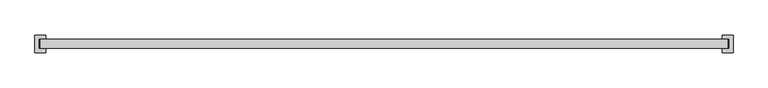
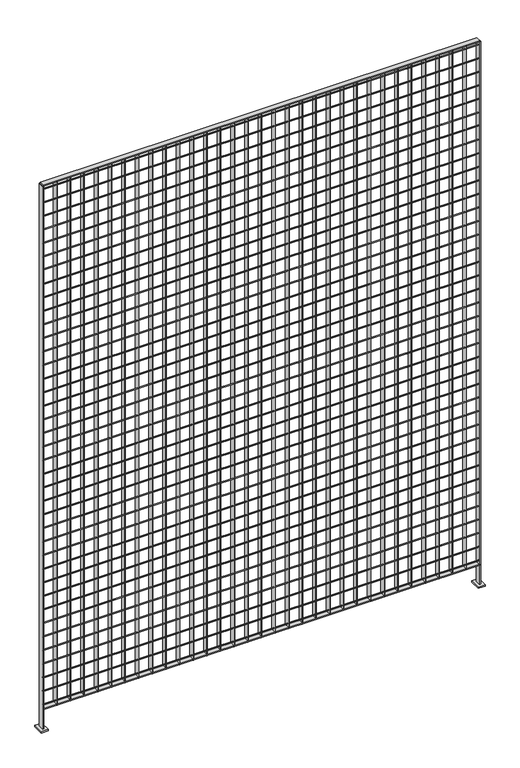
"""IFC4 building model written with IfcOpenShell, lengths in millimetres: railing geometry."""

from ifc_helpers import new_model, si_unit, point, frame, frame_2d, origin, place, context, project, spatial, polyline, circle_curve, trimmed, segment, composite_curve, outline, extrude, source, transform, mapped, element, save


def railing_2a38fe2f(model_context):
    return source(origin(), model_context, "Body", "SweptSolid", [
        extrude(outline(polyline([(-8780.0234548, -1094.0014627), (-8780.0234548, -1068.6014627), (-6798.8234548, -1068.6014627), (-6798.8234548, -1094.0014627), (-8780.0234548, -1094.0014627)])), frame((0.0, 0.0, 7718.510725), z_axis=(0.0, 0.0, 1.0), x_axis=(1.0, 0.0, 0.0)), (0.0, 0.0, 1.0), 3.7973),
        extrude(outline(composite_curve([segment(trimmed(circle_curve(frame_2d((-1087.6514627, 7739.0625)), 2.0574), [point((-1085.5940627, 7739.0625))], [point((-1089.7088627, 7739.0625))], False, "CARTESIAN"), True, "CONTINUOUS"), segment(trimmed(circle_curve(frame_2d((-1087.6514627, 7739.0625)), 2.0574), [point((-1089.7088627, 7739.0625))], [point((-1085.5940627, 7739.0625))], False, "CARTESIAN"), True, "CONTINUOUS")], self_intersect=False)), frame((-8780.0234548, 0.0, 0.0), z_axis=(1.0, 0.0, 0.0), x_axis=(0.0, 1.0, 0.0)), (0.0, 0.0, 1.0), 1981.2),
        extrude(outline(composite_curve([segment(trimmed(circle_curve(frame_2d((-1087.6514627, 7804.15)), 2.0574), [point((-1085.5940627, 7804.15))], [point((-1089.7088627, 7804.15))], False, "CARTESIAN"), True, "CONTINUOUS"), segment(trimmed(circle_curve(frame_2d((-1087.6514627, 7804.15)), 2.0574), [point((-1089.7088627, 7804.15))], [point((-1085.5940627, 7804.15))], False, "CARTESIAN"), True, "CONTINUOUS")], self_intersect=False)), frame((-8780.0234548, 0.0, 0.0), z_axis=(1.0, 0.0, 0.0), x_axis=(0.0, 1.0, 0.0)), (0.0, 0.0, 1.0), 1981.2),
        extrude(outline(composite_curve([segment(trimmed(circle_curve(frame_2d((-1087.6514627, 7869.2375)), 2.0574), [point((-1085.5940627, 7869.2375))], [point((-1089.7088627, 7869.2375))], False, "CARTESIAN"), True, "CONTINUOUS"), segment(trimmed(circle_curve(frame_2d((-1087.6514627, 7869.2375)), 2.0574), [point((-1089.7088627, 7869.2375))], [point((-1085.5940627, 7869.2375))], False, "CARTESIAN"), True, "CONTINUOUS")], self_intersect=False)), frame((-8780.0234548, 0.0, 0.0), z_axis=(1.0, 0.0, 0.0), x_axis=(0.0, 1.0, 0.0)), (0.0, 0.0, 1.0), 1981.2),
        extrude(outline(composite_curve([segment(trimmed(circle_curve(frame_2d((-1087.6514627, 7934.325)), 2.0574), [point((-1085.5940627, 7934.325))], [point((-1089.7088627, 7934.325))], False, "CARTESIAN"), True, "CONTINUOUS"), segment(trimmed(circle_curve(frame_2d((-1087.6514627, 7934.325)), 2.0574), [point((-1089.7088627, 7934.325))], [point((-1085.5940627, 7934.325))], False, "CARTESIAN"), True, "CONTINUOUS")], self_intersect=False)), frame((-8780.0234548, 0.0, 0.0), z_axis=(1.0, 0.0, 0.0), x_axis=(0.0, 1.0, 0.0)), (0.0, 0.0, 1.0), 1981.2),
        extrude(outline(composite_curve([segment(trimmed(circle_curve(frame_2d((-1087.6514627, 7999.4125)), 2.0574), [point((-1085.5940627, 7999.4125))], [point((-1089.7088627, 7999.4125))], False, "CARTESIAN"), True, "CONTINUOUS"), segment(trimmed(circle_curve(frame_2d((-1087.6514627, 7999.4125)), 2.0574), [point((-1089.7088627, 7999.4125))], [point((-1085.5940627, 7999.4125))], False, "CARTESIAN"), True, "CONTINUOUS")], self_intersect=False)), frame((-8780.0234548, 0.0, 0.0), z_axis=(1.0, 0.0, 0.0), x_axis=(0.0, 1.0, 0.0)), (0.0, 0.0, 1.0), 1981.2),
        extrude(outline(composite_curve([segment(trimmed(circle_curve(frame_2d((-1087.6514627, 8064.5)), 2.0574), [point((-1085.5940627, 8064.5))], [point((-1089.7088627, 8064.5))], False, "CARTESIAN"), True, "CONTINUOUS"), segment(trimmed(circle_curve(frame_2d((-1087.6514627, 8064.5)), 2.0574), [point((-1089.7088627, 8064.5))], [point((-1085.5940627, 8064.5))], False, "CARTESIAN"), True, "CONTINUOUS")], self_intersect=False)), frame((-8780.0234548, 0.0, 0.0), z_axis=(1.0, 0.0, 0.0), x_axis=(0.0, 1.0, 0.0)), (0.0, 0.0, 1.0), 1981.2),
        extrude(outline(composite_curve([segment(trimmed(circle_curve(frame_2d((-1087.6514627, 8129.5875)), 2.0574), [point((-1085.5940627, 8129.5875))], [point((-1089.7088627, 8129.5875))], False, "CARTESIAN"), True, "CONTINUOUS"), segment(trimmed(circle_curve(frame_2d((-1087.6514627, 8129.5875)), 2.0574), [point((-1089.7088627, 8129.5875))], [point((-1085.5940627, 8129.5875))], False, "CARTESIAN"), True, "CONTINUOUS")], self_intersect=False)), frame((-8780.0234548, 0.0, 0.0), z_axis=(1.0, 0.0, 0.0), x_axis=(0.0, 1.0, 0.0)), (0.0, 0.0, 1.0), 1981.2),
        extrude(outline(composite_curve([segment(trimmed(circle_curve(frame_2d((-1087.6514627, 8194.675)), 2.0574), [point((-1085.5940627, 8194.675))], [point((-1089.7088627, 8194.675))], False, "CARTESIAN"), True, "CONTINUOUS"), segment(trimmed(circle_curve(frame_2d((-1087.6514627, 8194.675)), 2.0574), [point((-1089.7088627, 8194.675))], [point((-1085.5940627, 8194.675))], False, "CARTESIAN"), True, "CONTINUOUS")], self_intersect=False)), frame((-8780.0234548, 0.0, 0.0), z_axis=(1.0, 0.0, 0.0), x_axis=(0.0, 1.0, 0.0)), (0.0, 0.0, 1.0), 1981.2),
        extrude(outline(composite_curve([segment(trimmed(circle_curve(frame_2d((-1087.6514627, 8259.7625)), 2.0574), [point((-1085.5940627, 8259.7625))], [point((-1089.7088627, 8259.7625))], False, "CARTESIAN"), True, "CONTINUOUS"), segment(trimmed(circle_curve(frame_2d((-1087.6514627, 8259.7625)), 2.0574), [point((-1089.7088627, 8259.7625))], [point((-1085.5940627, 8259.7625))], False, "CARTESIAN"), True, "CONTINUOUS")], self_intersect=False)), frame((-8780.0234548, 0.0, 0.0), z_axis=(1.0, 0.0, 0.0), x_axis=(0.0, 1.0, 0.0)), (0.0, 0.0, 1.0), 1981.2),
        extrude(outline(composite_curve([segment(trimmed(circle_curve(frame_2d((-1087.6514627, 8324.85)), 2.0574), [point((-1085.5940627, 8324.85))], [point((-1089.7088627, 8324.85))], False, "CARTESIAN"), True, "CONTINUOUS"), segment(trimmed(circle_curve(frame_2d((-1087.6514627, 8324.85)), 2.0574), [point((-1089.7088627, 8324.85))], [point((-1085.5940627, 8324.85))], False, "CARTESIAN"), True, "CONTINUOUS")], self_intersect=False)), frame((-8780.0234548, 0.0, 0.0), z_axis=(1.0, 0.0, 0.0), x_axis=(0.0, 1.0, 0.0)), (0.0, 0.0, 1.0), 1981.2),
        extrude(outline(composite_curve([segment(trimmed(circle_curve(frame_2d((-1087.6514627, 8389.9375)), 2.0574), [point((-1085.5940627, 8389.9375))], [point((-1089.7088627, 8389.9375))], False, "CARTESIAN"), True, "CONTINUOUS"), segment(trimmed(circle_curve(frame_2d((-1087.6514627, 8389.9375)), 2.0574), [point((-1089.7088627, 8389.9375))], [point((-1085.5940627, 8389.9375))], False, "CARTESIAN"), True, "CONTINUOUS")], self_intersect=False)), frame((-8780.0234548, 0.0, 0.0), z_axis=(1.0, 0.0, 0.0), x_axis=(0.0, 1.0, 0.0)), (0.0, 0.0, 1.0), 1981.2),
        extrude(outline(composite_curve([segment(trimmed(circle_curve(frame_2d((-1087.6514627, 8455.025)), 2.0574), [point((-1085.5940627, 8455.025))], [point((-1089.7088627, 8455.025))], False, "CARTESIAN"), True, "CONTINUOUS"), segment(trimmed(circle_curve(frame_2d((-1087.6514627, 8455.025)), 2.0574), [point((-1089.7088627, 8455.025))], [point((-1085.5940627, 8455.025))], False, "CARTESIAN"), True, "CONTINUOUS")], self_intersect=False)), frame((-8780.0234548, 0.0, 0.0), z_axis=(1.0, 0.0, 0.0), x_axis=(0.0, 1.0, 0.0)), (0.0, 0.0, 1.0), 1981.2),
        extrude(outline(composite_curve([segment(trimmed(circle_curve(frame_2d((-1087.6514627, 8520.1125)), 2.0574), [point((-1085.5940627, 8520.1125))], [point((-1089.7088627, 8520.1125))], False, "CARTESIAN"), True, "CONTINUOUS"), segment(trimmed(circle_curve(frame_2d((-1087.6514627, 8520.1125)), 2.0574), [point((-1089.7088627, 8520.1125))], [point((-1085.5940627, 8520.1125))], False, "CARTESIAN"), True, "CONTINUOUS")], self_intersect=False)), frame((-8780.0234548, 0.0, 0.0), z_axis=(1.0, 0.0, 0.0), x_axis=(0.0, 1.0, 0.0)), (0.0, 0.0, 1.0), 1981.2),
        extrude(outline(composite_curve([segment(trimmed(circle_curve(frame_2d((-1087.6514627, 8585.2)), 2.0574), [point((-1085.5940627, 8585.2))], [point((-1089.7088627, 8585.2))], False, "CARTESIAN"), True, "CONTINUOUS"), segment(trimmed(circle_curve(frame_2d((-1087.6514627, 8585.2)), 2.0574), [point((-1089.7088627, 8585.2))], [point((-1085.5940627, 8585.2))], False, "CARTESIAN"), True, "CONTINUOUS")], self_intersect=False)), frame((-8780.0234548, 0.0, 0.0), z_axis=(1.0, 0.0, 0.0), x_axis=(0.0, 1.0, 0.0)), (0.0, 0.0, 1.0), 1981.2),
        extrude(outline(composite_curve([segment(trimmed(circle_curve(frame_2d((-1087.6514627, 8650.2875)), 2.0574), [point((-1085.5940627, 8650.2875))], [point((-1089.7088627, 8650.2875))], False, "CARTESIAN"), True, "CONTINUOUS"), segment(trimmed(circle_curve(frame_2d((-1087.6514627, 8650.2875)), 2.0574), [point((-1089.7088627, 8650.2875))], [point((-1085.5940627, 8650.2875))], False, "CARTESIAN"), True, "CONTINUOUS")], self_intersect=False)), frame((-8780.0234548, 0.0, 0.0), z_axis=(1.0, 0.0, 0.0), x_axis=(0.0, 1.0, 0.0)), (0.0, 0.0, 1.0), 1981.2),
        extrude(outline(composite_curve([segment(trimmed(circle_curve(frame_2d((-1087.6514627, 8715.375)), 2.0574), [point((-1085.5940627, 8715.375))], [point((-1089.7088627, 8715.375))], False, "CARTESIAN"), True, "CONTINUOUS"), segment(trimmed(circle_curve(frame_2d((-1087.6514627, 8715.375)), 2.0574), [point((-1089.7088627, 8715.375))], [point((-1085.5940627, 8715.375))], False, "CARTESIAN"), True, "CONTINUOUS")], self_intersect=False)), frame((-8780.0234548, 0.0, 0.0), z_axis=(1.0, 0.0, 0.0), x_axis=(0.0, 1.0, 0.0)), (0.0, 0.0, 1.0), 1981.2),
        extrude(outline(composite_curve([segment(trimmed(circle_curve(frame_2d((-1087.6514627, 8780.4625)), 2.0574), [point((-1085.5940627, 8780.4625))], [point((-1089.7088627, 8780.4625))], False, "CARTESIAN"), True, "CONTINUOUS"), segment(trimmed(circle_curve(frame_2d((-1087.6514627, 8780.4625)), 2.0574), [point((-1089.7088627, 8780.4625))], [point((-1085.5940627, 8780.4625))], False, "CARTESIAN"), True, "CONTINUOUS")], self_intersect=False)), frame((-8780.0234548, 0.0, 0.0), z_axis=(1.0, 0.0, 0.0), x_axis=(0.0, 1.0, 0.0)), (0.0, 0.0, 1.0), 1981.2),
        extrude(outline(composite_curve([segment(trimmed(circle_curve(frame_2d((-1087.6514627, 8845.55)), 2.0574), [point((-1085.5940627, 8845.55))], [point((-1089.7088627, 8845.55))], False, "CARTESIAN"), True, "CONTINUOUS"), segment(trimmed(circle_curve(frame_2d((-1087.6514627, 8845.55)), 2.0574), [point((-1089.7088627, 8845.55))], [point((-1085.5940627, 8845.55))], False, "CARTESIAN"), True, "CONTINUOUS")], self_intersect=False)), frame((-8780.0234548, 0.0, 0.0), z_axis=(1.0, 0.0, 0.0), x_axis=(0.0, 1.0, 0.0)), (0.0, 0.0, 1.0), 1981.2),
        extrude(outline(composite_curve([segment(trimmed(circle_curve(frame_2d((-1087.6514627, 8910.6375)), 2.0574), [point((-1085.5940627, 8910.6375))], [point((-1089.7088627, 8910.6375))], False, "CARTESIAN"), True, "CONTINUOUS"), segment(trimmed(circle_curve(frame_2d((-1087.6514627, 8910.6375)), 2.0574), [point((-1089.7088627, 8910.6375))], [point((-1085.5940627, 8910.6375))], False, "CARTESIAN"), True, "CONTINUOUS")], self_intersect=False)), frame((-8780.0234548, 0.0, 0.0), z_axis=(1.0, 0.0, 0.0), x_axis=(0.0, 1.0, 0.0)), (0.0, 0.0, 1.0), 1981.2),
        extrude(outline(composite_curve([segment(trimmed(circle_curve(frame_2d((-1087.6514627, 8975.725)), 2.0574), [point((-1085.5940627, 8975.725))], [point((-1089.7088627, 8975.725))], False, "CARTESIAN"), True, "CONTINUOUS"), segment(trimmed(circle_curve(frame_2d((-1087.6514627, 8975.725)), 2.0574), [point((-1089.7088627, 8975.725))], [point((-1085.5940627, 8975.725))], False, "CARTESIAN"), True, "CONTINUOUS")], self_intersect=False)), frame((-8780.0234548, 0.0, 0.0), z_axis=(1.0, 0.0, 0.0), x_axis=(0.0, 1.0, 0.0)), (0.0, 0.0, 1.0), 1981.2),
        extrude(outline(composite_curve([segment(trimmed(circle_curve(frame_2d((-1087.6514627, 9040.8125)), 2.0574), [point((-1085.5940627, 9040.8125))], [point((-1089.7088627, 9040.8125))], False, "CARTESIAN"), True, "CONTINUOUS"), segment(trimmed(circle_curve(frame_2d((-1087.6514627, 9040.8125)), 2.0574), [point((-1089.7088627, 9040.8125))], [point((-1085.5940627, 9040.8125))], False, "CARTESIAN"), True, "CONTINUOUS")], self_intersect=False)), frame((-8780.0234548, 0.0, 0.0), z_axis=(1.0, 0.0, 0.0), x_axis=(0.0, 1.0, 0.0)), (0.0, 0.0, 1.0), 1981.2),
        extrude(outline(composite_curve([segment(trimmed(circle_curve(frame_2d((-1087.6514627, 9105.9)), 2.0574), [point((-1085.5940627, 9105.9))], [point((-1089.7088627, 9105.9))], False, "CARTESIAN"), True, "CONTINUOUS"), segment(trimmed(circle_curve(frame_2d((-1087.6514627, 9105.9)), 2.0574), [point((-1089.7088627, 9105.9))], [point((-1085.5940627, 9105.9))], False, "CARTESIAN"), True, "CONTINUOUS")], self_intersect=False)), frame((-8780.0234548, 0.0, 0.0), z_axis=(1.0, 0.0, 0.0), x_axis=(0.0, 1.0, 0.0)), (0.0, 0.0, 1.0), 1981.2),
        extrude(outline(composite_curve([segment(trimmed(circle_curve(frame_2d((-1087.6514627, 9170.9875)), 2.0574), [point((-1085.5940627, 9170.9875))], [point((-1089.7088627, 9170.9875))], False, "CARTESIAN"), True, "CONTINUOUS"), segment(trimmed(circle_curve(frame_2d((-1087.6514627, 9170.9875)), 2.0574), [point((-1089.7088627, 9170.9875))], [point((-1085.5940627, 9170.9875))], False, "CARTESIAN"), True, "CONTINUOUS")], self_intersect=False)), frame((-8780.0234548, 0.0, 0.0), z_axis=(1.0, 0.0, 0.0), x_axis=(0.0, 1.0, 0.0)), (0.0, 0.0, 1.0), 1981.2),
        extrude(outline(composite_curve([segment(trimmed(circle_curve(frame_2d((-1087.6514627, 9236.075)), 2.0574), [point((-1085.5940627, 9236.075))], [point((-1089.7088627, 9236.075))], False, "CARTESIAN"), True, "CONTINUOUS"), segment(trimmed(circle_curve(frame_2d((-1087.6514627, 9236.075)), 2.0574), [point((-1089.7088627, 9236.075))], [point((-1085.5940627, 9236.075))], False, "CARTESIAN"), True, "CONTINUOUS")], self_intersect=False)), frame((-8780.0234548, 0.0, 0.0), z_axis=(1.0, 0.0, 0.0), x_axis=(0.0, 1.0, 0.0)), (0.0, 0.0, 1.0), 1981.2),
        extrude(outline(composite_curve([segment(trimmed(circle_curve(frame_2d((-1087.6514627, 9301.1625)), 2.0574), [point((-1085.5940627, 9301.1625))], [point((-1089.7088627, 9301.1625))], False, "CARTESIAN"), True, "CONTINUOUS"), segment(trimmed(circle_curve(frame_2d((-1087.6514627, 9301.1625)), 2.0574), [point((-1089.7088627, 9301.1625))], [point((-1085.5940627, 9301.1625))], False, "CARTESIAN"), True, "CONTINUOUS")], self_intersect=False)), frame((-8780.0234548, 0.0, 0.0), z_axis=(1.0, 0.0, 0.0), x_axis=(0.0, 1.0, 0.0)), (0.0, 0.0, 1.0), 1981.2),
        extrude(outline(composite_curve([segment(trimmed(circle_curve(frame_2d((-1087.6514627, 9366.25)), 2.0574), [point((-1085.5940627, 9366.25))], [point((-1089.7088627, 9366.25))], False, "CARTESIAN"), True, "CONTINUOUS"), segment(trimmed(circle_curve(frame_2d((-1087.6514627, 9366.25)), 2.0574), [point((-1089.7088627, 9366.25))], [point((-1085.5940627, 9366.25))], False, "CARTESIAN"), True, "CONTINUOUS")], self_intersect=False)), frame((-8780.0234548, 0.0, 0.0), z_axis=(1.0, 0.0, 0.0), x_axis=(0.0, 1.0, 0.0)), (0.0, 0.0, 1.0), 1981.2),
        extrude(outline(composite_curve([segment(trimmed(circle_curve(frame_2d((-1087.6514627, 9431.3375)), 2.0574), [point((-1085.5940627, 9431.3375))], [point((-1089.7088627, 9431.3375))], False, "CARTESIAN"), True, "CONTINUOUS"), segment(trimmed(circle_curve(frame_2d((-1087.6514627, 9431.3375)), 2.0574), [point((-1089.7088627, 9431.3375))], [point((-1085.5940627, 9431.3375))], False, "CARTESIAN"), True, "CONTINUOUS")], self_intersect=False)), frame((-8780.0234548, 0.0, 0.0), z_axis=(1.0, 0.0, 0.0), x_axis=(0.0, 1.0, 0.0)), (0.0, 0.0, 1.0), 1981.2),
        extrude(outline(composite_curve([segment(trimmed(circle_curve(frame_2d((-1087.6514627, 9496.425)), 2.0574), [point((-1085.5940627, 9496.425))], [point((-1089.7088627, 9496.425))], False, "CARTESIAN"), True, "CONTINUOUS"), segment(trimmed(circle_curve(frame_2d((-1087.6514627, 9496.425)), 2.0574), [point((-1089.7088627, 9496.425))], [point((-1085.5940627, 9496.425))], False, "CARTESIAN"), True, "CONTINUOUS")], self_intersect=False)), frame((-8780.0234548, 0.0, 0.0), z_axis=(1.0, 0.0, 0.0), x_axis=(0.0, 1.0, 0.0)), (0.0, 0.0, 1.0), 1981.2),
        extrude(outline(composite_curve([segment(trimmed(circle_curve(frame_2d((-1087.6514627, 9561.5125)), 2.0574), [point((-1085.5940627, 9561.5125))], [point((-1089.7088627, 9561.5125))], False, "CARTESIAN"), True, "CONTINUOUS"), segment(trimmed(circle_curve(frame_2d((-1087.6514627, 9561.5125)), 2.0574), [point((-1089.7088627, 9561.5125))], [point((-1085.5940627, 9561.5125))], False, "CARTESIAN"), True, "CONTINUOUS")], self_intersect=False)), frame((-8780.0234548, 0.0, 0.0), z_axis=(1.0, 0.0, 0.0), x_axis=(0.0, 1.0, 0.0)), (0.0, 0.0, 1.0), 1981.2),
        extrude(outline(composite_curve([segment(trimmed(circle_curve(frame_2d((-1087.6514627, 9626.6)), 2.0574), [point((-1085.5940627, 9626.6))], [point((-1089.7088627, 9626.6))], False, "CARTESIAN"), True, "CONTINUOUS"), segment(trimmed(circle_curve(frame_2d((-1087.6514627, 9626.6)), 2.0574), [point((-1089.7088627, 9626.6))], [point((-1085.5940627, 9626.6))], False, "CARTESIAN"), True, "CONTINUOUS")], self_intersect=False)), frame((-8780.0234548, 0.0, 0.0), z_axis=(1.0, 0.0, 0.0), x_axis=(0.0, 1.0, 0.0)), (0.0, 0.0, 1.0), 1981.2),
        extrude(outline(composite_curve([segment(trimmed(circle_curve(frame_2d((-1087.6514627, 9691.6875)), 2.0574), [point((-1085.5940627, 9691.6875))], [point((-1089.7088627, 9691.6875))], False, "CARTESIAN"), True, "CONTINUOUS"), segment(trimmed(circle_curve(frame_2d((-1087.6514627, 9691.6875)), 2.0574), [point((-1089.7088627, 9691.6875))], [point((-1085.5940627, 9691.6875))], False, "CARTESIAN"), True, "CONTINUOUS")], self_intersect=False)), frame((-8780.0234548, 0.0, 0.0), z_axis=(1.0, 0.0, 0.0), x_axis=(0.0, 1.0, 0.0)), (0.0, 0.0, 1.0), 1981.2),
        extrude(outline(composite_curve([segment(trimmed(circle_curve(frame_2d((-1087.6514627, 9756.775)), 2.0574), [point((-1085.5940627, 9756.775))], [point((-1089.7088627, 9756.775))], False, "CARTESIAN"), True, "CONTINUOUS"), segment(trimmed(circle_curve(frame_2d((-1087.6514627, 9756.775)), 2.0574), [point((-1089.7088627, 9756.775))], [point((-1085.5940627, 9756.775))], False, "CARTESIAN"), True, "CONTINUOUS")], self_intersect=False)), frame((-8780.0234548, 0.0, 0.0), z_axis=(1.0, 0.0, 0.0), x_axis=(0.0, 1.0, 0.0)), (0.0, 0.0, 1.0), 1981.2),
        extrude(outline(composite_curve([segment(trimmed(circle_curve(frame_2d((-1087.6514627, 9825.0375)), 2.0574), [point((-1085.5940627, 9825.0375))], [point((-1089.7088627, 9825.0375))], False, "CARTESIAN"), True, "CONTINUOUS"), segment(trimmed(circle_curve(frame_2d((-1087.6514627, 9825.0375)), 2.0574), [point((-1089.7088627, 9825.0375))], [point((-1085.5940627, 9825.0375))], False, "CARTESIAN"), True, "CONTINUOUS")], self_intersect=False)), frame((-8780.0234548, 0.0, 0.0), z_axis=(1.0, 0.0, 0.0), x_axis=(0.0, 1.0, 0.0)), (0.0, 0.0, 1.0), 1981.2),
        extrude(outline(composite_curve([segment(trimmed(circle_curve(frame_2d((-1087.6514627, 9886.95)), 2.0574), [point((-1085.5940627, 9886.95))], [point((-1089.7088627, 9886.95))], False, "CARTESIAN"), True, "CONTINUOUS"), segment(trimmed(circle_curve(frame_2d((-1087.6514627, 9886.95)), 2.0574), [point((-1089.7088627, 9886.95))], [point((-1085.5940627, 9886.95))], False, "CARTESIAN"), True, "CONTINUOUS")], self_intersect=False)), frame((-8780.0234548, 0.0, 0.0), z_axis=(1.0, 0.0, 0.0), x_axis=(0.0, 1.0, 0.0)), (0.0, 0.0, 1.0), 1981.2),
        extrude(outline(composite_curve([segment(trimmed(circle_curve(frame_2d((-1087.6514627, 9952.0375)), 2.0574), [point((-1085.5940627, 9952.0375))], [point((-1089.7088627, 9952.0375))], False, "CARTESIAN"), True, "CONTINUOUS"), segment(trimmed(circle_curve(frame_2d((-1087.6514627, 9952.0375)), 2.0574), [point((-1089.7088627, 9952.0375))], [point((-1085.5940627, 9952.0375))], False, "CARTESIAN"), True, "CONTINUOUS")], self_intersect=False)), frame((-8780.0234548, 0.0, 0.0), z_axis=(1.0, 0.0, 0.0), x_axis=(0.0, 1.0, 0.0)), (0.0, 0.0, 1.0), 1981.2),
        extrude(outline(composite_curve([segment(trimmed(circle_curve(frame_2d((-1087.6514627, 10017.125)), 2.0574), [point((-1085.5940627, 10017.125))], [point((-1089.7088627, 10017.125))], False, "CARTESIAN"), True, "CONTINUOUS"), segment(trimmed(circle_curve(frame_2d((-1087.6514627, 10017.125)), 2.0574), [point((-1089.7088627, 10017.125))], [point((-1085.5940627, 10017.125))], False, "CARTESIAN"), True, "CONTINUOUS")], self_intersect=False)), frame((-8780.0234548, 0.0, 0.0), z_axis=(1.0, 0.0, 0.0), x_axis=(0.0, 1.0, 0.0)), (0.0, 0.0, 1.0), 1981.2),
        extrude(outline(composite_curve([segment(trimmed(circle_curve(frame_2d((-1087.6514627, 10082.2125)), 2.0574), [point((-1085.5940627, 10082.2125))], [point((-1089.7088627, 10082.2125))], False, "CARTESIAN"), True, "CONTINUOUS"), segment(trimmed(circle_curve(frame_2d((-1087.6514627, 10082.2125)), 2.0574), [point((-1089.7088627, 10082.2125))], [point((-1085.5940627, 10082.2125))], False, "CARTESIAN"), True, "CONTINUOUS")], self_intersect=False)), frame((-8780.0234548, 0.0, 0.0), z_axis=(1.0, 0.0, 0.0), x_axis=(0.0, 1.0, 0.0)), (0.0, 0.0, 1.0), 1981.2),
        extrude(outline(composite_curve([segment(trimmed(circle_curve(frame_2d((-1087.6514627, 10147.3)), 2.0574), [point((-1085.5940627, 10147.3))], [point((-1089.7088627, 10147.3))], False, "CARTESIAN"), True, "CONTINUOUS"), segment(trimmed(circle_curve(frame_2d((-1087.6514627, 10147.3)), 2.0574), [point((-1089.7088627, 10147.3))], [point((-1085.5940627, 10147.3))], False, "CARTESIAN"), True, "CONTINUOUS")], self_intersect=False)), frame((-8780.0234548, 0.0, 0.0), z_axis=(1.0, 0.0, 0.0), x_axis=(0.0, 1.0, 0.0)), (0.0, 0.0, 1.0), 1981.2),
        extrude(outline(composite_curve([segment(trimmed(circle_curve(frame_2d((-1087.6514627, 10212.3875)), 2.0574), [point((-1085.5940627, 10212.3875))], [point((-1089.7088627, 10212.3875))], False, "CARTESIAN"), True, "CONTINUOUS"), segment(trimmed(circle_curve(frame_2d((-1087.6514627, 10212.3875)), 2.0574), [point((-1089.7088627, 10212.3875))], [point((-1085.5940627, 10212.3875))], False, "CARTESIAN"), True, "CONTINUOUS")], self_intersect=False)), frame((-8780.0234548, 0.0, 0.0), z_axis=(1.0, 0.0, 0.0), x_axis=(0.0, 1.0, 0.0)), (0.0, 0.0, 1.0), 1981.2),
        extrude(outline(polyline([(-8780.0234548, -1094.0014627), (-8780.0234548, -1068.6014627), (-6798.8234548, -1068.6014627), (-6798.8234548, -1094.0014627), (-8780.0234548, -1094.0014627)])), frame((0.0, 0.0, 10229.53885), z_axis=(0.0, 0.0, 1.0), x_axis=(1.0, 0.0, 0.0)), (0.0, 0.0, 1.0), 3.7973),
        extrude(outline(polyline([(-6859.7872648, -1094.0014627), (-6861.6846448, -1094.0014627), (-6861.6846448, -1068.6014627), (-6859.7872648, -1068.6014627), (-6859.7872648, -1094.0014627)])), frame((0.0, 0.0, 7718.425), z_axis=(0.0, 0.0, 1.0), x_axis=(1.0, 0.0, 0.0)), (0.0, 0.0, 1.0), 2511.11385),
        extrude(outline(polyline([(-6921.6997648, -1094.0014627), (-6923.5971448, -1094.0014627), (-6923.5971448, -1068.6014627), (-6921.6997648, -1068.6014627), (-6921.6997648, -1094.0014627)])), frame((0.0, 0.0, 7718.425), z_axis=(0.0, 0.0, 1.0), x_axis=(1.0, 0.0, 0.0)), (0.0, 0.0, 1.0), 2511.11385),
        extrude(outline(polyline([(-6983.6122648, -1094.0014627), (-6985.5096448, -1094.0014627), (-6985.5096448, -1068.6014627), (-6983.6122648, -1068.6014627), (-6983.6122648, -1094.0014627)])), frame((0.0, 0.0, 7718.425), z_axis=(0.0, 0.0, 1.0), x_axis=(1.0, 0.0, 0.0)), (0.0, 0.0, 1.0), 2511.11385),
        extrude(outline(polyline([(-7045.5247648, -1094.0014627), (-7047.4221448, -1094.0014627), (-7047.4221448, -1068.6014627), (-7045.5247648, -1068.6014627), (-7045.5247648, -1094.0014627)])), frame((0.0, 0.0, 7718.425), z_axis=(0.0, 0.0, 1.0), x_axis=(1.0, 0.0, 0.0)), (0.0, 0.0, 1.0), 2511.11385),
        extrude(outline(polyline([(-7107.4372648, -1094.0014627), (-7109.3346448, -1094.0014627), (-7109.3346448, -1068.6014627), (-7107.4372648, -1068.6014627), (-7107.4372648, -1094.0014627)])), frame((0.0, 0.0, 7718.425), z_axis=(0.0, 0.0, 1.0), x_axis=(1.0, 0.0, 0.0)), (0.0, 0.0, 1.0), 2511.11385),
        extrude(outline(polyline([(-7169.3497648, -1094.0014627), (-7171.2471448, -1094.0014627), (-7171.2471448, -1068.6014627), (-7169.3497648, -1068.6014627), (-7169.3497648, -1094.0014627)])), frame((0.0, 0.0, 7718.425), z_axis=(0.0, 0.0, 1.0), x_axis=(1.0, 0.0, 0.0)), (0.0, 0.0, 1.0), 2511.11385),
        extrude(outline(polyline([(-7231.2622648, -1094.0014627), (-7233.1596448, -1094.0014627), (-7233.1596448, -1068.6014627), (-7231.2622648, -1068.6014627), (-7231.2622648, -1094.0014627)])), frame((0.0, 0.0, 7718.425), z_axis=(0.0, 0.0, 1.0), x_axis=(1.0, 0.0, 0.0)), (0.0, 0.0, 1.0), 2511.11385),
        extrude(outline(polyline([(-7293.1747648, -1094.0014627), (-7295.0721448, -1094.0014627), (-7295.0721448, -1068.6014627), (-7293.1747648, -1068.6014627), (-7293.1747648, -1094.0014627)])), frame((0.0, 0.0, 7718.425), z_axis=(0.0, 0.0, 1.0), x_axis=(1.0, 0.0, 0.0)), (0.0, 0.0, 1.0), 2511.11385),
        extrude(outline(polyline([(-7355.0872648, -1094.0014627), (-7356.9846448, -1094.0014627), (-7356.9846448, -1068.6014627), (-7355.0872648, -1068.6014627), (-7355.0872648, -1094.0014627)])), frame((0.0, 0.0, 7718.425), z_axis=(0.0, 0.0, 1.0), x_axis=(1.0, 0.0, 0.0)), (0.0, 0.0, 1.0), 2511.11385),
        extrude(outline(polyline([(-7416.9997648, -1094.0014627), (-7418.8971448, -1094.0014627), (-7418.8971448, -1068.6014627), (-7416.9997648, -1068.6014627), (-7416.9997648, -1094.0014627)])), frame((0.0, 0.0, 7718.425), z_axis=(0.0, 0.0, 1.0), x_axis=(1.0, 0.0, 0.0)), (0.0, 0.0, 1.0), 2511.11385),
        extrude(outline(polyline([(-7478.9122648, -1094.0014627), (-7480.8096448, -1094.0014627), (-7480.8096448, -1068.6014627), (-7478.9122648, -1068.6014627), (-7478.9122648, -1094.0014627)])), frame((0.0, 0.0, 7718.425), z_axis=(0.0, 0.0, 1.0), x_axis=(1.0, 0.0, 0.0)), (0.0, 0.0, 1.0), 2511.11385),
        extrude(outline(polyline([(-7540.8247648, -1094.0014627), (-7542.7221448, -1094.0014627), (-7542.7221448, -1068.6014627), (-7540.8247648, -1068.6014627), (-7540.8247648, -1094.0014627)])), frame((0.0, 0.0, 7718.425), z_axis=(0.0, 0.0, 1.0), x_axis=(1.0, 0.0, 0.0)), (0.0, 0.0, 1.0), 2511.11385),
        extrude(outline(polyline([(-7602.7372648, -1094.0014627), (-7604.6346448, -1094.0014627), (-7604.6346448, -1068.6014627), (-7602.7372648, -1068.6014627), (-7602.7372648, -1094.0014627)])), frame((0.0, 0.0, 7718.425), z_axis=(0.0, 0.0, 1.0), x_axis=(1.0, 0.0, 0.0)), (0.0, 0.0, 1.0), 2511.11385),
        extrude(outline(polyline([(-7664.6497648, -1094.0014627), (-7666.5471448, -1094.0014627), (-7666.5471448, -1068.6014627), (-7664.6497648, -1068.6014627), (-7664.6497648, -1094.0014627)])), frame((0.0, 0.0, 7718.425), z_axis=(0.0, 0.0, 1.0), x_axis=(1.0, 0.0, 0.0)), (0.0, 0.0, 1.0), 2511.11385),
        extrude(outline(polyline([(-7726.5622648, -1094.0014627), (-7728.4596448, -1094.0014627), (-7728.4596448, -1068.6014627), (-7726.5622648, -1068.6014627), (-7726.5622648, -1094.0014627)])), frame((0.0, 0.0, 7718.425), z_axis=(0.0, 0.0, 1.0), x_axis=(1.0, 0.0, 0.0)), (0.0, 0.0, 1.0), 2511.11385),
        extrude(outline(polyline([(-7788.4747648, -1094.0014627), (-7790.3721448, -1094.0014627), (-7790.3721448, -1068.6014627), (-7788.4747648, -1068.6014627), (-7788.4747648, -1094.0014627)])), frame((0.0, 0.0, 7718.425), z_axis=(0.0, 0.0, 1.0), x_axis=(1.0, 0.0, 0.0)), (0.0, 0.0, 1.0), 2511.11385),
        extrude(outline(polyline([(-7850.3872648, -1094.0014627), (-7852.2846448, -1094.0014627), (-7852.2846448, -1068.6014627), (-7850.3872648, -1068.6014627), (-7850.3872648, -1094.0014627)])), frame((0.0, 0.0, 7718.425), z_axis=(0.0, 0.0, 1.0), x_axis=(1.0, 0.0, 0.0)), (0.0, 0.0, 1.0), 2511.11385),
        extrude(outline(polyline([(-7912.2997648, -1094.0014627), (-7914.1971448, -1094.0014627), (-7914.1971448, -1068.6014627), (-7912.2997648, -1068.6014627), (-7912.2997648, -1094.0014627)])), frame((0.0, 0.0, 7718.425), z_axis=(0.0, 0.0, 1.0), x_axis=(1.0, 0.0, 0.0)), (0.0, 0.0, 1.0), 2511.11385),
        extrude(outline(polyline([(-7974.2122648, -1094.0014627), (-7976.1096448, -1094.0014627), (-7976.1096448, -1068.6014627), (-7974.2122648, -1068.6014627), (-7974.2122648, -1094.0014627)])), frame((0.0, 0.0, 7718.425), z_axis=(0.0, 0.0, 1.0), x_axis=(1.0, 0.0, 0.0)), (0.0, 0.0, 1.0), 2511.11385),
        extrude(outline(polyline([(-8036.1247648, -1094.0014627), (-8038.0221448, -1094.0014627), (-8038.0221448, -1068.6014627), (-8036.1247648, -1068.6014627), (-8036.1247648, -1094.0014627)])), frame((0.0, 0.0, 7718.425), z_axis=(0.0, 0.0, 1.0), x_axis=(1.0, 0.0, 0.0)), (0.0, 0.0, 1.0), 2511.11385),
        extrude(outline(polyline([(-8098.0372648, -1094.0014627), (-8099.9346448, -1094.0014627), (-8099.9346448, -1068.6014627), (-8098.0372648, -1068.6014627), (-8098.0372648, -1094.0014627)])), frame((0.0, 0.0, 7718.425), z_axis=(0.0, 0.0, 1.0), x_axis=(1.0, 0.0, 0.0)), (0.0, 0.0, 1.0), 2511.11385),
        extrude(outline(polyline([(-8159.9497648, -1094.0014627), (-8161.8471448, -1094.0014627), (-8161.8471448, -1068.6014627), (-8159.9497648, -1068.6014627), (-8159.9497648, -1094.0014627)])), frame((0.0, 0.0, 7718.425), z_axis=(0.0, 0.0, 1.0), x_axis=(1.0, 0.0, 0.0)), (0.0, 0.0, 1.0), 2511.11385),
        extrude(outline(polyline([(-8221.8622648, -1094.0014627), (-8223.7596448, -1094.0014627), (-8223.7596448, -1068.6014627), (-8221.8622648, -1068.6014627), (-8221.8622648, -1094.0014627)])), frame((0.0, 0.0, 7718.425), z_axis=(0.0, 0.0, 1.0), x_axis=(1.0, 0.0, 0.0)), (0.0, 0.0, 1.0), 2511.11385),
        extrude(outline(polyline([(-8283.7747648, -1094.0014627), (-8285.6721448, -1094.0014627), (-8285.6721448, -1068.6014627), (-8283.7747648, -1068.6014627), (-8283.7747648, -1094.0014627)])), frame((0.0, 0.0, 7718.425), z_axis=(0.0, 0.0, 1.0), x_axis=(1.0, 0.0, 0.0)), (0.0, 0.0, 1.0), 2511.11385),
        extrude(outline(polyline([(-8345.6872648, -1094.0014627), (-8347.5846448, -1094.0014627), (-8347.5846448, -1068.6014627), (-8345.6872648, -1068.6014627), (-8345.6872648, -1094.0014627)])), frame((0.0, 0.0, 7718.425), z_axis=(0.0, 0.0, 1.0), x_axis=(1.0, 0.0, 0.0)), (0.0, 0.0, 1.0), 2511.11385),
        extrude(outline(polyline([(-8407.5997648, -1094.0014627), (-8409.4971448, -1094.0014627), (-8409.4971448, -1068.6014627), (-8407.5997648, -1068.6014627), (-8407.5997648, -1094.0014627)])), frame((0.0, 0.0, 7718.425), z_axis=(0.0, 0.0, 1.0), x_axis=(1.0, 0.0, 0.0)), (0.0, 0.0, 1.0), 2511.11385),
        extrude(outline(polyline([(-8469.5122648, -1094.0014627), (-8471.4096448, -1094.0014627), (-8471.4096448, -1068.6014627), (-8469.5122648, -1068.6014627), (-8469.5122648, -1094.0014627)])), frame((0.0, 0.0, 7718.425), z_axis=(0.0, 0.0, 1.0), x_axis=(1.0, 0.0, 0.0)), (0.0, 0.0, 1.0), 2511.11385),
        extrude(outline(polyline([(-8531.4247648, -1094.0014627), (-8533.3221448, -1094.0014627), (-8533.3221448, -1068.6014627), (-8531.4247648, -1068.6014627), (-8531.4247648, -1094.0014627)])), frame((0.0, 0.0, 7718.425), z_axis=(0.0, 0.0, 1.0), x_axis=(1.0, 0.0, 0.0)), (0.0, 0.0, 1.0), 2511.11385),
        extrude(outline(polyline([(-8593.3372648, -1094.0014627), (-8595.2346448, -1094.0014627), (-8595.2346448, -1068.6014627), (-8593.3372648, -1068.6014627), (-8593.3372648, -1094.0014627)])), frame((0.0, 0.0, 7718.425), z_axis=(0.0, 0.0, 1.0), x_axis=(1.0, 0.0, 0.0)), (0.0, 0.0, 1.0), 2511.11385),
        extrude(outline(polyline([(-8655.2497648, -1094.0014627), (-8657.1471448, -1094.0014627), (-8657.1471448, -1068.6014627), (-8655.2497648, -1068.6014627), (-8655.2497648, -1094.0014627)])), frame((0.0, 0.0, 7718.425), z_axis=(0.0, 0.0, 1.0), x_axis=(1.0, 0.0, 0.0)), (0.0, 0.0, 1.0), 2511.11385),
        extrude(outline(polyline([(-8717.1622648, -1094.0014627), (-8719.0596448, -1094.0014627), (-8719.0596448, -1068.6014627), (-8717.1622648, -1068.6014627), (-8717.1622648, -1094.0014627)])), frame((0.0, 0.0, 7718.425), z_axis=(0.0, 0.0, 1.0), x_axis=(1.0, 0.0, 0.0)), (0.0, 0.0, 1.0), 2511.11385),
        extrude(outline(polyline([(-6801.9984548, -1068.6014627), (-6795.6484548, -1068.6014627), (-6795.6484548, -1094.0014627), (-6801.9984548, -1094.0014627), (-6801.9984548, -1068.6014627)])), frame((0.0, 0.0, 7620.0), z_axis=(0.0, 0.0, 1.0), x_axis=(1.0, 0.0, 0.0)), (0.0, 0.0, 1.0), 2609.53885),
        extrude(outline(polyline([(-6782.9484548, -1106.7014627), (-6814.6984548, -1106.7014627), (-6814.6984548, -1055.9014627), (-6782.9484548, -1055.9014627), (-6782.9484548, -1106.7014627)])), frame((0.0, 0.0, 7620.0), z_axis=(0.0, 0.0, 1.0), x_axis=(1.0, 0.0, 0.0)), (0.0, 0.0, 1.0), 6.35),
        extrude(outline(polyline([(-8783.1984548, -1068.6014627), (-8776.8484548, -1068.6014627), (-8776.8484548, -1094.0014627), (-8783.1984548, -1094.0014627), (-8783.1984548, -1068.6014627)])), frame((0.0, 0.0, 7620.0), z_axis=(0.0, 0.0, 1.0), x_axis=(1.0, 0.0, 0.0)), (0.0, 0.0, 1.0), 2609.53885),
        extrude(outline(polyline([(-8764.1484548, -1106.7014627), (-8795.8984548, -1106.7014627), (-8795.8984548, -1055.9014627), (-8764.1484548, -1055.9014627), (-8764.1484548, -1106.7014627)])), frame((0.0, 0.0, 7620.0), z_axis=(0.0, 0.0, 1.0), x_axis=(1.0, 0.0, 0.0)), (0.0, 0.0, 1.0), 6.35),
    ])


if __name__ == "__main__":
    model = new_model("IFC4")
    model_context = context("Model", 3, world=origin())
    ifc_project = project(units=[si_unit("LENGTHUNIT", "METRE", prefix="MILLI")], contexts=[model_context])
    site = spatial("IfcSite", under=ifc_project)
    building = spatial("IfcBuilding", under=site)
    placement = place(None, origin())
    railing_shape = railing_2a38fe2f(model_context)
    element("IfcRailing", 1, at=placement, inside=building, context=model_context, shape_type="MappedRepresentation", body=[
        mapped(railing_shape, transform((0.0, 0.0, 0.0), x_axis=(1.0, 0.0, 0.0), y_axis=(0.0, 1.0, 0.0), z_axis=(0.0, 0.0, 1.0))),
    ])
    save(model, "model.ifc")
